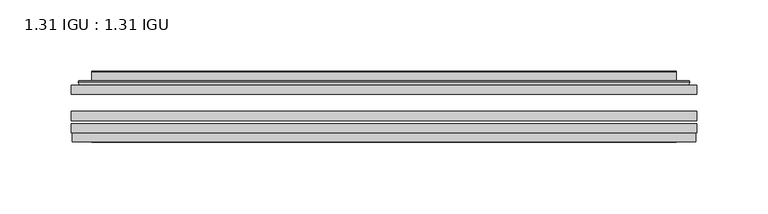
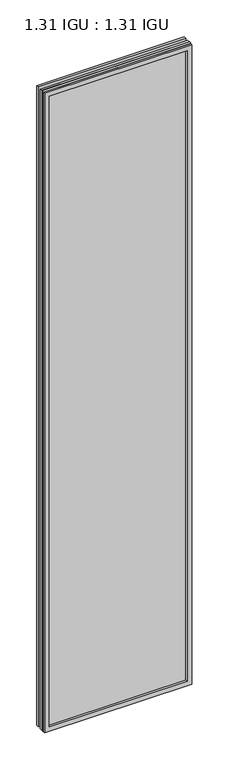
"""IFC4 building model written with IfcOpenShell, lengths in millimetres: plate geometry, 1.31 IGU : 1.31 IGU."""

from ifc_helpers import new_model, si_unit, frame, origin, place, context, project, spatial, polyline, ellipse_curve, outline, extrude, faceted_brep, source, transform, mapped, element, save
from ifc_brep_helpers import plane_surface, cylinder_surface, advanced_brep


def plate_1_31_igu_1_31_igu_846244cf(model_context):
    return source(origin(), model_context, "Body", "SolidModel", [
        extrude(outline(polyline([(219.089175, -63.59525), (219.089175, -69.94525), (-219.075, -69.94525), (-219.075, -63.59525), (219.089175, -63.59525)])), frame((0.0, 0.0, -14.2875), z_axis=(0.0, 0.0, 1.0), x_axis=(1.0, 0.0, 0.0)), (0.0, 0.0, 1.0), 2009.796575),
        extrude(outline(polyline([(-219.075, -78.58125), (-219.075, -72.230745), (219.089175, -72.230745), (219.089175, -78.58125), (-219.075, -78.58125)])), frame((0.0, 0.0, -14.2875), z_axis=(0.0, 0.0, 1.0), x_axis=(1.0, 0.0, 0.0)), (0.0, 0.0, 1.0), 2009.796575),
        extrude(outline(polyline([(219.089175, -45.25645), (219.089175, -51.60645), (-219.075, -51.60645), (-219.075, -45.25645), (219.089175, -45.25645)])), frame((0.0, 0.0, -14.2875), z_axis=(0.0, 0.0, 1.0), x_axis=(1.0, 0.0, 0.0)), (0.0, 0.0, 1.0), 2009.796575),
        faceted_brep([(-218.3748142, -84.93125, 1994.8050914), (-218.3748142, -78.58125, 1994.8050914), (-218.3748142, -78.58125, -13.5873142), (-218.3748142, -84.93125, -13.5873142), (218.3748142, -78.58125, -13.5873142), (218.3748142, -84.93125, -13.5873142), (218.3748142, -78.58125, 1994.8050914), (218.3748142, -84.93125, 1994.8050914), (-203.8897559, -78.58125, 0.8977441), (203.8897559, -78.58125, 0.8977441), (203.8897559, -78.58125, 1980.320033), (-203.8897559, -78.58125, 1980.320033), (-204.7821902, -84.93125, 1981.2124673), (204.7821902, -84.93125, 1981.2124673), (204.7821902, -84.93125, 0.0053098), (-204.7821902, -84.93125, 0.0053098)], [[[0, 1, 2, 3]], [[3, 2, 4, 5]], [[5, 4, 6, 7]], [[1, 6, 4, 2], [8, 9, 10, 11]], [[7, 6, 1, 0]], [[3, 5, 7, 0], [12, 13, 14, 15]], [[11, 12, 15, 8]], [[8, 15, 14, 9]], [[9, 14, 13, 10]], [[10, 13, 12, 11]]]),
        advanced_brep(
        [(-211.833719, -45.25645, 1988.2639962), (-214.1879244, -43.2667833, 1990.6182015), (-214.1879244, -43.2667833, -9.4004244), (-211.833719, -45.25645, -7.046219), (-202.7593939, -41.416413, 1979.1896711), (-197.8245621, -45.25645, 1974.2548392), (-197.8245621, -45.25645, 6.9629379), (-202.7593939, -41.416413, 2.0281061), (-203.7914217, -36.0191819, 1980.2216988), (-203.7914217, -36.0191819, 0.9960783), (-204.7820784, -35.6202069, 1981.2123556), (-204.7820784, -35.6202069, 0.0054216), (-204.7820784, -42.08145, 1981.2123556), (-204.7820784, -42.08145, 0.0054216), (-213.1861349, -42.08145, 1989.616412), (-213.1861349, -42.08145, -8.3986349), (214.1879244, -43.2667833, -9.4004244), (211.833719, -45.25645, -7.046219), (197.8245621, -45.25645, 6.9629379), (202.7593939, -41.416413, 2.0281061), (203.7914217, -36.0191819, 0.9960783), (204.7820784, -35.6202069, 0.0054216), (204.7820784, -42.08145, 0.0054216), (213.1861349, -42.08145, -8.3986349), (214.1879244, -43.2667833, 1990.6182015), (211.833719, -45.25645, 1988.2639962), (197.8245621, -45.25645, 1974.2548392), (202.7593939, -41.416413, 1979.1896711), (203.7914217, -36.0191819, 1980.2216988), (204.7820784, -35.6202069, 1981.2123556), (204.7820784, -42.08145, 1981.2123556), (213.1861349, -42.08145, 1989.616412)],
        [
            (0, 1, ellipse_curve(frame((-211.833719, -42.86885, 1988.2639962), z_axis=(-0.7071067811865475, 0.0, -0.7071067811865475), x_axis=(-0.7071067811865474, 0.0, 0.7071067811865476)), 3.3765763, 2.3876)),
            (1, 2),
            (2, 3, ellipse_curve(frame((-211.833719, -42.86885, -7.046219), z_axis=(-0.7071067811865475, 0.0, 0.7071067811865475), x_axis=(0.7071067811865474, 0.0, 0.7071067811865476)), 3.3765763, 2.3876)),
            (3, 0),
            (4, 5),
            (5, 6),
            (6, 7),
            (7, 4),
            (8, 4),
            (7, 9),
            (9, 8),
            (10, 8, ellipse_curve(frame((-204.4151219, -36.1384423, 1980.845399), z_axis=(-0.7071067811865475, 0.0, -0.7071067811865475), x_axis=(-0.7071067811865474, 0.0, 0.7071067811865476)), 0.8980256, 0.635)),
            (9, 11, ellipse_curve(frame((-204.4151219, -36.1384423, 0.3723781), z_axis=(-0.7071067811865475, 0.0, 0.7071067811865475), x_axis=(0.7071067811865474, 0.0, 0.7071067811865476)), 0.8980256, 0.635)),
            (11, 10),
            (12, 10),
            (11, 13),
            (13, 12),
            (1, 14, ellipse_curve(frame((-213.1861349, -43.09745, 1989.616412), z_axis=(-0.7071067811865475, 0.0, -0.7071067811865475), x_axis=(-0.7071067811865474, 0.0, 0.7071067811865476)), 1.436841, 1.016)),
            (14, 15),
            (15, 2, ellipse_curve(frame((-213.1861349, -43.09745, -8.3986349), z_axis=(-0.7071067811865475, 0.0, 0.7071067811865475), x_axis=(0.7071067811865474, 0.0, 0.7071067811865476)), 1.436841, 1.016)),
            (2, 16),
            (16, 17, ellipse_curve(frame((211.833719, -42.86885, -7.046219), z_axis=(-0.7071067811865475, 0.0, -0.7071067811865475), x_axis=(-0.7071067811865476, 0.0, 0.7071067811865474)), 3.3765763, 2.3876)),
            (17, 3),
            (6, 18),
            (18, 19),
            (19, 7),
            (19, 20),
            (20, 9),
            (20, 21, ellipse_curve(frame((204.4151219, -36.1384423, 0.3723781), z_axis=(-0.7071067811865475, 0.0, -0.7071067811865475), x_axis=(-0.7071067811865476, 0.0, 0.7071067811865474)), 0.8980256, 0.635)),
            (21, 11),
            (21, 22),
            (22, 13),
            (15, 23),
            (23, 16, ellipse_curve(frame((213.1861349, -43.09745, -8.3986349), z_axis=(-0.7071067811865475, 0.0, -0.7071067811865475), x_axis=(-0.7071067811865476, 0.0, 0.7071067811865474)), 1.436841, 1.016)),
            (16, 24),
            (24, 25, ellipse_curve(frame((211.833719, -42.86885, 1988.2639962), z_axis=(0.7071067811865475, 0.0, -0.7071067811865475), x_axis=(-0.7071067811865474, 0.0, -0.7071067811865476)), 3.3765763, 2.3876)),
            (25, 17),
            (18, 26),
            (26, 27),
            (27, 19),
            (27, 28),
            (28, 20),
            (28, 29, ellipse_curve(frame((204.4151219, -36.1384423, 1980.845399), z_axis=(0.7071067811865475, 0.0, -0.7071067811865475), x_axis=(-0.7071067811865474, 0.0, -0.7071067811865476)), 0.8980256, 0.635)),
            (29, 21),
            (29, 30),
            (30, 22),
            (23, 31),
            (31, 24, ellipse_curve(frame((213.1861349, -43.09745, 1989.616412), z_axis=(0.7071067811865475, 0.0, -0.7071067811865475), x_axis=(-0.7071067811865474, 0.0, -0.7071067811865476)), 1.436841, 1.016)),
            (24, 1),
            (0, 25),
            (5, 26),
            (4, 27),
            (8, 28),
            (10, 29),
            (12, 30),
            (14, 31),
        ],
        [
            cylinder_surface(frame((-211.833719, -42.86885, 2012.9677772), z_axis=(0.0, 0.0, 1.0), x_axis=(-1.0, 0.0, 0.0)), 2.3876),
            plane_surface(frame((-197.8245621, -45.25645, 1974.2548392), z_axis=(0.6141233906514794, 0.7892100234124821, 0.0), x_axis=(0.0, 0.0, -1.0))),
            plane_surface(frame((-202.7593939, -41.416413, 1979.1896711), z_axis=(0.9822050625507729, 0.18781164793386076, 0.0), x_axis=(0.0, 0.0, -1.0))),
            cylinder_surface(frame((-204.4151219, -36.1384423, 2012.9677772), z_axis=(0.0, 0.0, 1.0), x_axis=(-1.0, 0.0, 0.0)), 0.635),
            plane_surface(frame((-204.7820784, -35.6202069, 1981.2123556), z_axis=(-1.0, 0.0, 0.0), x_axis=(0.0, 0.0, -1.0))),
            cylinder_surface(frame((-213.1861349, -43.09745, 2012.9677772), z_axis=(0.0, 0.0, 1.0), x_axis=(-1.0, 0.0, 0.0)), 1.016),
            cylinder_surface(frame((-236.5375, -42.86885, -7.046219), z_axis=(-1.0, 0.0, 0.0), x_axis=(0.0, 0.0, -1.0)), 2.3876),
            plane_surface(frame((-197.8245621, -45.25645, 6.9629379), z_axis=(0.0, 0.7892100234124841, 0.6141233906514768), x_axis=(1.0, 0.0, 0.0))),
            plane_surface(frame((-202.7593939, -41.416413, 2.0281061), z_axis=(0.0, 0.18781164793386393, 0.9822050625507723), x_axis=(1.0, 0.0, 0.0))),
            cylinder_surface(frame((-236.5375, -36.1384423, 0.3723781), z_axis=(-1.0, 0.0, 0.0), x_axis=(0.0, 0.0, -1.0)), 0.635),
            plane_surface(frame((-204.7820784, -35.6202069, 0.0054216), z_axis=(0.0, 0.0, -1.0), x_axis=(1.0, 0.0, 0.0))),
            cylinder_surface(frame((-236.5375, -43.09745, -8.3986349), z_axis=(-1.0, 0.0, 0.0), x_axis=(0.0, 0.0, -1.0)), 1.016),
            cylinder_surface(frame((211.833719, -42.86885, -31.75), z_axis=(0.0, 0.0, -1.0), x_axis=(1.0, 0.0, 0.0)), 2.3876),
            plane_surface(frame((197.8245621, -45.25645, 6.9629379), z_axis=(-0.6141233906514743, 0.7892100234124861, 0.0), x_axis=(0.0, 0.0, 1.0))),
            plane_surface(frame((202.7593939, -41.416413, 2.0281061), z_axis=(-0.9822050625507718, 0.1878116479338671, 0.0), x_axis=(0.0, 0.0, 1.0))),
            cylinder_surface(frame((204.4151219, -36.1384423, -31.75), z_axis=(0.0, 0.0, -1.0), x_axis=(1.0, 0.0, 0.0)), 0.635),
            plane_surface(frame((204.7820784, -35.6202069, 0.0054216), z_axis=(1.0, 0.0, 0.0), x_axis=(0.0, 0.0, 1.0))),
            cylinder_surface(frame((213.1861349, -43.09745, -31.75), z_axis=(0.0, 0.0, -1.0), x_axis=(1.0, 0.0, 0.0)), 1.016),
            cylinder_surface(frame((236.5375, -42.86885, 1988.2639962), z_axis=(1.0, 0.0, 0.0), x_axis=(0.0, 0.0, 1.0)), 2.3876),
            plane_surface(frame((211.833719, -45.25645, 1988.2639962), z_axis=(0.0, -1.0, 0.0), x_axis=(-1.0, 0.0, 0.0))),
            plane_surface(frame((197.8245621, -45.25645, 1974.2548392), z_axis=(0.0, 0.7892100234124841, -0.6141233906514768), x_axis=(-1.0, 0.0, 0.0))),
            plane_surface(frame((202.7593939, -41.416413, 1979.1896711), z_axis=(0.0, 0.18781164793386393, -0.9822050625507723), x_axis=(-1.0, 0.0, 0.0))),
            cylinder_surface(frame((236.5375, -36.1384423, 1980.845399), z_axis=(1.0, 0.0, 0.0), x_axis=(0.0, 0.0, 1.0)), 0.635),
            plane_surface(frame((204.7820784, -35.6202069, 1981.2123556), z_axis=(0.0, 0.0, 1.0), x_axis=(-1.0, 0.0, 0.0))),
            plane_surface(frame((204.7820784, -42.08145, 1981.2123556), z_axis=(0.0, 1.0, 0.0), x_axis=(-1.0, 0.0, 0.0))),
            cylinder_surface(frame((236.5375, -43.09745, 1989.616412), z_axis=(1.0, 0.0, 0.0), x_axis=(0.0, 0.0, 1.0)), 1.016),
        ],
        [
            (0, [[1, 2, 3, 4]]),
            (1, [[5, 6, 7, 8]]),
            (2, [[9, -8, 10, 11]]),
            (3, [[12, -11, 13, 14]]),
            (4, [[15, -14, 16, 17]]),
            (5, [[18, 19, 20, -2]]),
            (6, [[-3, 21, 22, 23]]),
            (7, [[-7, 24, 25, 26]]),
            (8, [[-10, -26, 27, 28]]),
            (9, [[-13, -28, 29, 30]]),
            (10, [[-16, -30, 31, 32]]),
            (11, [[-20, 33, 34, -21]]),
            (12, [[-22, 35, 36, 37]]),
            (13, [[-25, 38, 39, 40]]),
            (14, [[-27, -40, 41, 42]]),
            (15, [[-29, -42, 43, 44]]),
            (16, [[-31, -44, 45, 46]]),
            (17, [[-34, 47, 48, -35]]),
            (18, [[-36, 49, -1, 50]]),
            (19, [[-23, -37, -50, -4], [51, -38, -24, -6]]),
            (20, [[-39, -51, -5, 52]]),
            (21, [[-41, -52, -9, 53]]),
            (22, [[-43, -53, -12, 54]]),
            (23, [[-45, -54, -15, 55]]),
            (24, [[56, -47, -33, -19], [-32, -46, -55, -17]]),
            (25, [[-48, -56, -18, -49]]),
        ],
    ),
    ])


if __name__ == "__main__":
    model = new_model("IFC4")
    model_context = context("Model", 3, world=origin())
    ifc_project = project(units=[si_unit("LENGTHUNIT", "METRE", prefix="MILLI")], contexts=[model_context])
    site = spatial("IfcSite", under=ifc_project)
    building = spatial("IfcBuilding", under=site)
    placement = place(None, origin())
    plate_1_31_igu_1_31_igu_shape = plate_1_31_igu_1_31_igu_846244cf(model_context)
    element("IfcPlate", 1, ObjectType="1.31 IGU : 1.31 IGU", at=placement, inside=building, context=model_context, shape_type="MappedRepresentation", body=[
        mapped(plate_1_31_igu_1_31_igu_shape, transform((0.0, 0.0, 0.0), x_axis=(1.0, 0.0, 0.0), y_axis=(0.0, 1.0, 0.0), z_axis=(0.0, 0.0, 1.0))),
    ])
    save(model, "model.ifc")
